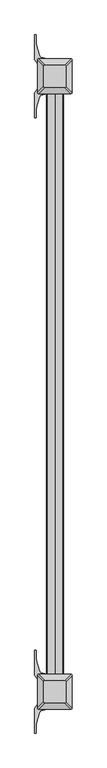
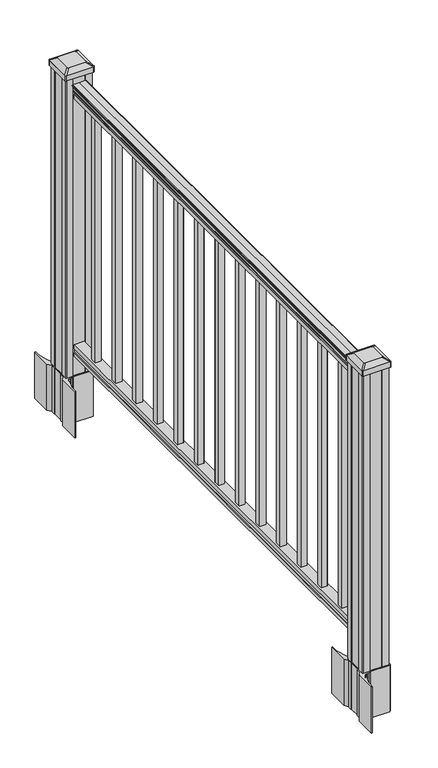
"""IFC4 building model written with IfcOpenShell, lengths in millimetres: railing geometry."""

import ifcopenshell
import ifcopenshell.guid

model = None  # the IFC model being written
_history = None  # IfcOwnerHistory: only IFC2X3 demands one
_inside = {}  # id of a spatial element -> (the spatial element, [elements in it])
_under = {}  # id of a project, library or spatial element -> (it, [spatial elements below it])
_declared = {}  # id of a project -> (the project, [libraries it declares])
_typed = {}  # id of a type object -> (the type object, [elements of that type])
_made_of = {}  # id of a material, layer set ... -> (it, [elements and type objects made of it])


def new_model(schema):
    """Start an empty IFC model of exactly this schema.

    Asked for "IFC4X3", IfcOpenShell would pick the latest addendum, in which some entities
    have other attributes; the version numbers below select the first issue.
    IFC2X3 requires an IfcOwnerHistory on every rooted entity: one is made here for all.
    """
    global model, _history
    if schema == "IFC4X3":
        model = ifcopenshell.file(schema_version=(4, 3, 0, 0))
    else:
        model = ifcopenshell.file(schema=schema)
    _inside.clear()
    _under.clear()
    _declared.clear()
    _typed.clear()
    _made_of.clear()
    _history = None
    if model.schema == "IFC2X3":
        org = make("IfcOrganization", Name="unknown")
        user = make(
            "IfcPersonAndOrganization",
            ThePerson=make("IfcPerson", FamilyName="unknown"),
            TheOrganization=org,
        )
        app = make(
            "IfcApplication",
            ApplicationDeveloper=org,
            Version="unknown",
            ApplicationFullName="unknown",
            ApplicationIdentifier="unknown",
        )
        _history = make(
            "IfcOwnerHistory",
            OwningUser=user,
            OwningApplication=app,
            ChangeAction="ADDED",
            CreationDate=0,
        )
    return model


def make(cls, **values):
    """One entity of the class cls with the attributes given. An attribute that is None is left unset."""
    return model.create_entity(
        cls, **{name: value for name, value in values.items() if value is not None}
    )


def rooted(cls, **values):
    """An entity with a GlobalId (a new one), such as an element, a storey or a relation."""
    return make(cls, GlobalId=ifcopenshell.guid.new(), OwnerHistory=_history, **values)


def si_unit(unit_type, name, prefix=None):
    """IfcSIUnit, for example si_unit("LENGTHUNIT", "METRE", prefix="MILLI")."""
    return make("IfcSIUnit", UnitType=unit_type, Prefix=prefix, Name=name)


def assignment(units):
    """IfcUnitAssignment: the units of a project."""
    return None if units is None else make("IfcUnitAssignment", Units=units)


def point(xyz):
    """IfcCartesianPoint."""
    return None if xyz is None else make("IfcCartesianPoint", Coordinates=xyz)


def direction(xyz):
    """IfcDirection."""
    return None if xyz is None else make("IfcDirection", DirectionRatios=xyz)


def frame(location, z_axis=None, x_axis=None):
    """IfcAxis2Placement3D, a coordinate frame: its origin and axes. An axis left out is left unset."""
    return make(
        "IfcAxis2Placement3D",
        Location=point(location),
        Axis=direction(z_axis),
        RefDirection=direction(x_axis),
    )


def frame_2d(location, x_axis=None):
    """IfcAxis2Placement2D, a coordinate frame in the plane: its origin and x axis."""
    return make(
        "IfcAxis2Placement2D", Location=point(location), RefDirection=direction(x_axis)
    )


def origin():
    """The frame at (0, 0, 0) with its axes left unset."""
    return frame((0.0, 0.0, 0.0))


def origin_with_axes():
    """The frame at (0, 0, 0) with the z axis (0, 0, 1) and the x axis (1, 0, 0) written out."""
    return frame((0.0, 0.0, 0.0), z_axis=(0.0, 0.0, 1.0), x_axis=(1.0, 0.0, 0.0))


def place(relative_to, where):
    """IfcLocalPlacement: puts the frame where relative to a parent placement (None: the world)."""
    return make(
        "IfcLocalPlacement", PlacementRelTo=relative_to, RelativePlacement=where
    )


def context(
    kind, dimensions, precision=None, world=None, true_north=None, identifier=None
):
    """IfcGeometricRepresentationContext, for example the 3D "Model" context."""
    return make(
        "IfcGeometricRepresentationContext",
        ContextIdentifier=identifier,
        ContextType=kind,
        CoordinateSpaceDimension=dimensions,
        Precision=precision,
        WorldCoordinateSystem=world,
        TrueNorth=true_north,
    )


def project(units=None, contexts=None):
    """IfcProject with its units and contexts."""
    return rooted(
        "IfcProject",
        Name="project",
        RepresentationContexts=contexts,
        UnitsInContext=assignment(units),
    )


def spatial(cls, under=None, at=None, **own):
    """A site, building, storey or space (cls), placed at a placement, below another one or the project."""
    s = rooted(cls, ObjectPlacement=at, **own)
    if under is not None:
        _under.setdefault(under.id(), (under, []))[1].append(s)
    return s


def polyline(points):
    """IfcPolyline through the points."""
    return make("IfcPolyline", Points=[point(p) for p in points])


def circle_curve(where, radius):
    """IfcCircle in the frame where."""
    return make("IfcCircle", Position=where, Radius=radius)


def trimmed(basis, trim1, trim2, sense, master):
    """IfcTrimmedCurve: the piece of a basis curve between two trims."""
    return make(
        "IfcTrimmedCurve",
        BasisCurve=basis,
        Trim1=trim1,
        Trim2=trim2,
        SenseAgreement=sense,
        MasterRepresentation=master,
    )


def segment(curve, same_sense, transition):
    """IfcCompositeCurveSegment."""
    return make(
        "IfcCompositeCurveSegment",
        Transition=transition,
        SameSense=same_sense,
        ParentCurve=curve,
    )


def composite_curve(segments, self_intersect=None):
    """IfcCompositeCurve: segments joined end to end."""
    return make("IfcCompositeCurve", Segments=segments, SelfIntersect=self_intersect)


def outline(outer, holes=None, kind="AREA"):
    """IfcArbitraryClosedProfileDef: a profile drawn as a closed curve; with holes, ...WithVoids."""
    if holes is None:
        return make("IfcArbitraryClosedProfileDef", ProfileType=kind, OuterCurve=outer)
    return make(
        "IfcArbitraryProfileDefWithVoids",
        ProfileType=kind,
        OuterCurve=outer,
        InnerCurves=holes,
    )


def extrude(swept, where, along, depth):
    """IfcExtrudedAreaSolid: the profile swept, set in the frame where, extruded along a direction by depth."""
    return make(
        "IfcExtrudedAreaSolid",
        SweptArea=swept,
        Position=where,
        ExtrudedDirection=direction(along),
        Depth=depth,
    )


def shape(context_of_items, identifier, shape_type, items):
    """IfcShapeRepresentation: the items that make up one representation, for example the "Body"."""
    return make(
        "IfcShapeRepresentation",
        ContextOfItems=context_of_items,
        RepresentationIdentifier=identifier,
        RepresentationType=shape_type,
        Items=items,
    )


def source(mapping_origin, context_of_items, identifier, shape_type, items):
    """IfcRepresentationMap: a shape defined once, which mapped items show again and again."""
    return make(
        "IfcRepresentationMap",
        MappingOrigin=mapping_origin,
        MappedRepresentation=shape(context_of_items, identifier, shape_type, items),
    )


def transform(
    local_origin,
    x_axis=None,
    y_axis=None,
    z_axis=None,
    scale=None,
    scale2=None,
    scale3=None,
    uniform=True,
):
    """IfcCartesianTransformationOperator3D, or its non-uniform kind. x_axis, y_axis, z_axis: its Axis1, 2, 3."""
    if uniform:
        return make(
            "IfcCartesianTransformationOperator3D",
            Axis1=direction(x_axis),
            Axis2=direction(y_axis),
            LocalOrigin=point(local_origin),
            Scale=scale,
            Axis3=direction(z_axis),
        )
    return make(
        "IfcCartesianTransformationOperator3DnonUniform",
        Axis1=direction(x_axis),
        Axis2=direction(y_axis),
        LocalOrigin=point(local_origin),
        Scale=scale,
        Axis3=direction(z_axis),
        Scale2=scale2,
        Scale3=scale3,
    )


def mapped(mapping_source, mapping_target):
    """IfcMappedItem: shows the shape of a source again, moved by a transform."""
    return make(
        "IfcMappedItem", MappingSource=mapping_source, MappingTarget=mapping_target
    )


def made_of(thing, what):
    """Note that an element or type object is made of a material, layer set ...; save() writes the relation."""
    if what is not None:
        _made_of.setdefault(what.id(), (what, []))[1].append(thing)
    return thing


def element(
    cls,
    number,
    at=None,
    inside=None,
    cuts=None,
    type_object=None,
    material=None,
    context=None,
    identifier="Body",
    shape_type=None,
    held_by="IfcProductDefinitionShape",
    body=None,
    shapes=None,
    **own,
):
    """One element of the class cls, such as IfcWall. Its Tag is "e" and its number.

    at: its placement. inside: the storey or other place that contains it. cuts: it is an
    opening in that element (IfcRelVoidsElement). A single representation is given by context,
    identifier, shape_type and body (its items); several are given by shapes. held_by: the class
    of the entity that holds the representations. save() writes the other relations.
    """
    e = rooted(cls, Tag="e%d" % number, ObjectPlacement=at, **own)
    if body is not None:
        shapes = [shape(context, identifier, shape_type, body)]
    if shapes is not None:
        e.Representation = make(held_by, Representations=shapes)
    if inside is not None:
        _inside.setdefault(inside.id(), (inside, []))[1].append(e)
    if cuts is not None:
        rooted(
            "IfcRelVoidsElement", RelatingBuildingElement=cuts, RelatedOpeningElement=e
        )
    if type_object is not None:
        _typed.setdefault(type_object.id(), (type_object, []))[1].append(e)
    return made_of(e, material)


def aggregate(whole, parts):
    """IfcRelAggregates: a whole, such as a stair, and the parts it consists of."""
    return rooted("IfcRelAggregates", RelatingObject=whole, RelatedObjects=parts)


def save(model, path):
    """Write the relations noted so far, then the file.

    IfcRelAggregates (storeys below a building ...), IfcRelContainedInSpatialStructure (elements
    in a storey), IfcRelDefinesByType, IfcRelAssociatesMaterial and IfcRelDeclares: one each for
    every whole, place, type object, material and project.
    """
    for whole, parts in _under.values():
        aggregate(whole, parts)
    for where, things in _inside.values():
        rooted(
            "IfcRelContainedInSpatialStructure",
            RelatedElements=things,
            RelatingStructure=where,
        )
    for kind, things in _typed.values():
        rooted("IfcRelDefinesByType", RelatedObjects=things, RelatingType=kind)
    for what, things in _made_of.values():
        rooted("IfcRelAssociatesMaterial", RelatedObjects=things, RelatingMaterial=what)
    for by, libraries in _declared.values():
        rooted("IfcRelDeclares", RelatingContext=by, RelatedDefinitions=libraries)
    model.write(path)


def plane_surface(at):
    """IfcPlane: the flat surface through the origin of the frame at, square to its z axis."""
    return make("IfcPlane", Position=at)


def extruded_surface(curve, direction_of_extrusion, depth):
    """IfcSurfaceOfLinearExtrusion: the curve pushed along a direction by depth."""
    return make(
        "IfcSurfaceOfLinearExtrusion",
        SweptCurve=make("IfcArbitraryOpenProfileDef", ProfileType="CURVE", Curve=curve),
        ExtrudedDirection=direction(direction_of_extrusion),
        Depth=depth,
    )


def advanced_brep(points, edges, surfaces, faces):
    """IfcAdvancedBrep: a solid bounded by faces that lie on surfaces and meet in shared edges.

    An edge is (start, end): straight between two places in points (the first is 0);
    or (start, end, curve); or (start, end, curve, False) where it runs against its curve.
    A face is (place in surfaces, loops), or (place, loops, False) where it looks against
    its surface's normal. A loop lists edges by number (the first is 1), with a minus sign
    where the edge is run from its end to its start. The first loop is the outer one.
    """
    corners = [point(p) for p in points]
    vertices = [make("IfcVertexPoint", VertexGeometry=c) for c in corners]
    made = []
    for start, end, *more in edges:
        made.append(
            make(
                "IfcEdgeCurve",
                EdgeStart=vertices[start],
                EdgeEnd=vertices[end],
                EdgeGeometry=more[0] if more else make("IfcPolyline", Points=[corners[start], corners[end]]),
                SameSense=more[1] if len(more) > 1 else True,
            )
        )
    hull = []
    for where, loops, *sense in faces:
        bounds = []
        for j, loop in enumerate(loops):
            ring = [make("IfcOrientedEdge", EdgeElement=made[abs(k) - 1], Orientation=k > 0) for k in loop]
            bounds.append(
                make(
                    "IfcFaceOuterBound" if j == 0 else "IfcFaceBound",
                    Bound=make("IfcEdgeLoop", EdgeList=ring),
                    Orientation=True,
                )
            )
        hull.append(make("IfcAdvancedFace", Bounds=bounds, FaceSurface=surfaces[where], SameSense=sense[0] if sense else True))
    return make("IfcAdvancedBrep", Outer=make("IfcClosedShell", CfsFaces=hull))


def railing_95ccc365(model_context):
    return source(origin(), model_context, "Body", "SolidModel", [
        extrude(outline(composite_curve([segment(polyline([(938.4043297, -802.3883059), (940.292412, -802.3883059)]), True, "CONTINUOUS"), segment(trimmed(circle_curve(frame_2d((946.0506383, -808.7030592)), 8.545951), [point((940.292412, -802.3883059))], [point((941.8546695, -801.2581196))], False, "CARTESIAN"), True, "CONTINUOUS"), segment(trimmed(circle_curve(frame_2d((945.4636577, -808.2659962)), 7.882584), [point((941.8546695, -801.2581196))], [point((949.0726458, -801.2581196))], False, "CARTESIAN"), True, "CONTINUOUS"), segment(trimmed(circle_curve(frame_2d((951.3112527, -797.7526721)), 4.1592695), [point((949.0726458, -801.2581196))], [point((951.5060812, -801.907376))], True, "CARTESIAN"), True, "CONTINUOUS"), segment(trimmed(circle_curve(frame_2d((951.2508864, -796.4653655)), 5.4479907), [point((951.5060812, -801.907376))], [point((955.8362083, -799.407376))], True, "CARTESIAN"), True, "CONTINUOUS"), segment(trimmed(circle_curve(frame_2d((955.833395, -797.698524)), 1.7088543), [point((955.8362083, -799.407376))], [point((957.5157972, -797.9980336))], True, "CARTESIAN"), True, "CONTINUOUS"), segment(trimmed(circle_curve(frame_2d((958.6205318, -799.3154241)), 1.7192895), [point((957.5157972, -797.9980336))], [point((958.6205318, -797.5961346))], False, "CARTESIAN"), True, "CONTINUOUS"), segment(polyline([(958.6205318, -797.5961346), (959.9608158, -797.5961346)]), True, "CONTINUOUS"), segment(trimmed(circle_curve(frame_2d((959.9608158, -799.1495819)), 1.5534472), [point((959.9608158, -797.5961346))], [point((961.514263, -799.1495819))], False, "CARTESIAN"), True, "CONTINUOUS"), segment(polyline([(961.514263, -799.1495819), (961.514263, -819.8211346), (961.514263, -840.4926874)]), True, "CONTINUOUS"), segment(trimmed(circle_curve(frame_2d((959.9608158, -840.4926874)), 1.5534472), [point((961.514263, -840.4926874))], [point((959.9608158, -842.0461346))], False, "CARTESIAN"), True, "CONTINUOUS"), segment(polyline([(959.9608158, -842.0461346), (958.6205318, -842.0461346)]), True, "CONTINUOUS"), segment(trimmed(circle_curve(frame_2d((958.6205318, -840.3268452)), 1.7192895), [point((958.6205318, -842.0461346))], [point((957.5157972, -841.6442357))], False, "CARTESIAN"), True, "CONTINUOUS"), segment(trimmed(circle_curve(frame_2d((955.833395, -841.9437453)), 1.7088543), [point((957.5157972, -841.6442357))], [point((955.8362083, -840.2348933))], True, "CARTESIAN"), True, "CONTINUOUS"), segment(trimmed(circle_curve(frame_2d((951.2508864, -843.1769037)), 5.4479907), [point((955.8362083, -840.2348933))], [point((951.5060812, -837.7348933))], True, "CARTESIAN"), True, "CONTINUOUS"), segment(trimmed(circle_curve(frame_2d((951.3112527, -841.8895972)), 4.1592695), [point((951.5060812, -837.7348933))], [point((949.0726458, -838.3841497))], True, "CARTESIAN"), True, "CONTINUOUS"), segment(trimmed(circle_curve(frame_2d((945.4636577, -831.3762731)), 7.882584), [point((949.0726458, -838.3841497))], [point((941.8546695, -838.3841497))], False, "CARTESIAN"), True, "CONTINUOUS"), segment(trimmed(circle_curve(frame_2d((946.0506383, -830.9392101)), 8.545951), [point((941.8546695, -838.3841497))], [point((940.292412, -837.2539634))], False, "CARTESIAN"), True, "CONTINUOUS"), segment(polyline([(940.292412, -837.2539634), (938.4043297, -837.2539634)]), True, "CONTINUOUS"), segment(trimmed(circle_curve(frame_2d((938.4043297, -835.967049)), 1.2869144), [point((938.4043297, -837.2539634))], [point((938.4043297, -834.6801346))], False, "CARTESIAN"), True, "CONTINUOUS"), segment(polyline([(938.4043297, -834.6801346), (927.9048283, -834.6801346), (926.8888283, -835.6961346), (914.4, -835.6961346), (914.4, -803.9461346), (926.731013, -803.9461346), (927.747013, -804.9621346), (938.4043297, -804.9621346)]), True, "CONTINUOUS"), segment(trimmed(circle_curve(frame_2d((938.4043297, -803.6752203)), 1.2869144), [point((938.4043297, -804.9621346))], [point((938.4043297, -802.3883059))], False, "CARTESIAN"), True, "CONTINUOUS")], self_intersect=False)), frame((0.0, -6314.4427062, 0.0), z_axis=(0.0, 1.0, 0.0), x_axis=(0.0, 0.0, 1.0)), (0.0, 0.0, 1.0), 1524.0),
        extrude(outline(polyline([(76.0541976, -803.9086477), (77.3546183, -804.9246477), (87.7141717, -804.9246477), (89.0624492, -803.9086477), (101.5958781, -803.9086477), (101.5958781, -835.6586477), (89.0458024, -835.6586477), (87.6975248, -834.6426477), (77.3858283, -834.6426477), (76.0375508, -835.6586477), (63.5, -835.6586477), (63.5, -803.9086477), (76.0541976, -803.9086477)])), frame((0.0, -6314.4427062, 0.0), z_axis=(0.0, 1.0, 0.0), x_axis=(0.0, 0.0, 1.0)), (0.0, 0.0, 1.0), 1524.0),
        extrude(outline(polyline([(-810.2961346, -4893.4397062), (-829.3461346, -4893.4397062), (-829.3461346, -4874.3897062), (-810.2961346, -4874.3897062), (-810.2961346, -4893.4397062)]), holes=[polyline([(-810.6930096, -4893.0428312), (-810.6930096, -4874.7865812), (-828.9492596, -4874.7865812), (-828.9492596, -4893.0428312), (-810.6930096, -4893.0428312)])]), frame((0.0, 0.0, 101.5958781), z_axis=(0.0, 0.0, 1.0), x_axis=(1.0, 0.0, 0.0)), (0.0, 0.0, 1.0), 812.8041219),
        extrude(outline(polyline([(-810.2961346, -5004.6917062), (-829.3461346, -5004.6917062), (-829.3461346, -4985.6417062), (-810.2961346, -4985.6417062), (-810.2961346, -5004.6917062)]), holes=[polyline([(-810.6930096, -5004.2948312), (-810.6930096, -4986.0385812), (-828.9492596, -4986.0385812), (-828.9492596, -5004.2948312), (-810.6930096, -5004.2948312)])]), frame((0.0, 0.0, 101.5958781), z_axis=(0.0, 0.0, 1.0), x_axis=(1.0, 0.0, 0.0)), (0.0, 0.0, 1.0), 812.8041219),
        extrude(outline(polyline([(-810.2961346, -5115.9437062), (-829.3461346, -5115.9437062), (-829.3461346, -5096.8937062), (-810.2961346, -5096.8937062), (-810.2961346, -5115.9437062)]), holes=[polyline([(-810.6930096, -5115.5468312), (-810.6930096, -5097.2905812), (-828.9492596, -5097.2905812), (-828.9492596, -5115.5468312), (-810.6930096, -5115.5468312)])]), frame((0.0, 0.0, 101.5958781), z_axis=(0.0, 0.0, 1.0), x_axis=(1.0, 0.0, 0.0)), (0.0, 0.0, 1.0), 812.8041219),
        extrude(outline(polyline([(-810.2961346, -5227.1957062), (-829.3461346, -5227.1957062), (-829.3461346, -5208.1457062), (-810.2961346, -5208.1457062), (-810.2961346, -5227.1957062)]), holes=[polyline([(-810.6930096, -5226.7988312), (-810.6930096, -5208.5425812), (-828.9492596, -5208.5425812), (-828.9492596, -5226.7988312), (-810.6930096, -5226.7988312)])]), frame((0.0, 0.0, 101.5958781), z_axis=(0.0, 0.0, 1.0), x_axis=(1.0, 0.0, 0.0)), (0.0, 0.0, 1.0), 812.8041219),
        extrude(outline(polyline([(-810.2961346, -5338.4477062), (-829.3461346, -5338.4477062), (-829.3461346, -5319.3977062), (-810.2961346, -5319.3977062), (-810.2961346, -5338.4477062)]), holes=[polyline([(-810.6930096, -5338.0508312), (-810.6930096, -5319.7945812), (-828.9492596, -5319.7945812), (-828.9492596, -5338.0508312), (-810.6930096, -5338.0508312)])]), frame((0.0, 0.0, 101.5958781), z_axis=(0.0, 0.0, 1.0), x_axis=(1.0, 0.0, 0.0)), (0.0, 0.0, 1.0), 812.8041219),
        extrude(outline(polyline([(-810.2961346, -5449.6997062), (-829.3461346, -5449.6997062), (-829.3461346, -5430.6497062), (-810.2961346, -5430.6497062), (-810.2961346, -5449.6997062)]), holes=[polyline([(-810.6930096, -5449.3028312), (-810.6930096, -5431.0465812), (-828.9492596, -5431.0465812), (-828.9492596, -5449.3028312), (-810.6930096, -5449.3028312)])]), frame((0.0, 0.0, 101.5958781), z_axis=(0.0, 0.0, 1.0), x_axis=(1.0, 0.0, 0.0)), (0.0, 0.0, 1.0), 812.8041219),
        extrude(outline(polyline([(-810.2961346, -5560.9517062), (-829.3461346, -5560.9517062), (-829.3461346, -5541.9017062), (-810.2961346, -5541.9017062), (-810.2961346, -5560.9517062)]), holes=[polyline([(-810.6930096, -5560.5548312), (-810.6930096, -5542.2985812), (-828.9492596, -5542.2985812), (-828.9492596, -5560.5548312), (-810.6930096, -5560.5548312)])]), frame((0.0, 0.0, 101.5958781), z_axis=(0.0, 0.0, 1.0), x_axis=(1.0, 0.0, 0.0)), (0.0, 0.0, 1.0), 812.8041219),
        extrude(outline(polyline([(-810.2961346, -5672.2037062), (-829.3461346, -5672.2037062), (-829.3461346, -5653.1537062), (-810.2961346, -5653.1537062), (-810.2961346, -5672.2037062)]), holes=[polyline([(-810.6930096, -5671.8068312), (-810.6930096, -5653.5505812), (-828.9492596, -5653.5505812), (-828.9492596, -5671.8068312), (-810.6930096, -5671.8068312)])]), frame((0.0, 0.0, 101.5958781), z_axis=(0.0, 0.0, 1.0), x_axis=(1.0, 0.0, 0.0)), (0.0, 0.0, 1.0), 812.8041219),
        extrude(outline(polyline([(-810.2961346, -5783.4557062), (-829.3461346, -5783.4557062), (-829.3461346, -5764.4057062), (-810.2961346, -5764.4057062), (-810.2961346, -5783.4557062)]), holes=[polyline([(-810.6930096, -5783.0588312), (-810.6930096, -5764.8025812), (-828.9492596, -5764.8025812), (-828.9492596, -5783.0588312), (-810.6930096, -5783.0588312)])]), frame((0.0, 0.0, 101.5958781), z_axis=(0.0, 0.0, 1.0), x_axis=(1.0, 0.0, 0.0)), (0.0, 0.0, 1.0), 812.8041219),
        extrude(outline(polyline([(-810.2961346, -5894.7077062), (-829.3461346, -5894.7077062), (-829.3461346, -5875.6577062), (-810.2961346, -5875.6577062), (-810.2961346, -5894.7077062)]), holes=[polyline([(-810.6930096, -5894.3108312), (-810.6930096, -5876.0545812), (-828.9492596, -5876.0545812), (-828.9492596, -5894.3108312), (-810.6930096, -5894.3108312)])]), frame((0.0, 0.0, 101.5958781), z_axis=(0.0, 0.0, 1.0), x_axis=(1.0, 0.0, 0.0)), (0.0, 0.0, 1.0), 812.8041219),
        extrude(outline(polyline([(-810.2961346, -6005.9597062), (-829.3461346, -6005.9597062), (-829.3461346, -5986.9097062), (-810.2961346, -5986.9097062), (-810.2961346, -6005.9597062)]), holes=[polyline([(-810.6930096, -6005.5628312), (-810.6930096, -5987.3065812), (-828.9492596, -5987.3065812), (-828.9492596, -6005.5628312), (-810.6930096, -6005.5628312)])]), frame((0.0, 0.0, 101.5958781), z_axis=(0.0, 0.0, 1.0), x_axis=(1.0, 0.0, 0.0)), (0.0, 0.0, 1.0), 812.8041219),
        extrude(outline(polyline([(-810.2961346, -6117.2117062), (-829.3461346, -6117.2117062), (-829.3461346, -6098.1617062), (-810.2961346, -6098.1617062), (-810.2961346, -6117.2117062)]), holes=[polyline([(-810.6930096, -6116.8148312), (-810.6930096, -6098.5585812), (-828.9492596, -6098.5585812), (-828.9492596, -6116.8148312), (-810.6930096, -6116.8148312)])]), frame((0.0, 0.0, 101.5958781), z_axis=(0.0, 0.0, 1.0), x_axis=(1.0, 0.0, 0.0)), (0.0, 0.0, 1.0), 812.8041219),
        extrude(outline(polyline([(-810.2961346, -6228.4637062), (-829.3461346, -6228.4637062), (-829.3461346, -6209.4137062), (-810.2961346, -6209.4137062), (-810.2961346, -6228.4637062)]), holes=[polyline([(-810.6930096, -6228.0668312), (-810.6930096, -6209.8105812), (-828.9492596, -6209.8105812), (-828.9492596, -6228.0668312), (-810.6930096, -6228.0668312)])]), frame((0.0, 0.0, 101.5958781), z_axis=(0.0, 0.0, 1.0), x_axis=(1.0, 0.0, 0.0)), (0.0, 0.0, 1.0), 812.8041219),
        extrude(outline(composite_curve([segment(polyline([(-777.0856346, -4766.426801), (-775.4981346, -4767.188801), (-775.4981346, -4789.9907291), (-778.8711117, -4793.3637062), (-840.3307825, -4793.3637062), (-840.3307825, -4794.2844562), (-845.6483264, -4794.2844562), (-845.6483264, -4795.7387108), (-850.7328561, -4795.7387108), (-850.7328561, -4797.0227347), (-852.4001283, -4797.0227347)]), True, "CONTINUOUS"), segment(trimmed(circle_curve(frame_2d((-852.4001283, -4804.0821945)), 7.0594599), [point((-852.4001283, -4797.0227347))], [point((-859.1673912, -4802.0721879))], True, "CARTESIAN"), True, "CONTINUOUS"), segment(polyline([(-859.1673912, -4802.0721879), (-867.0415855, -4828.5829169)]), True, "CONTINUOUS"), segment(trimmed(circle_curve(frame_2d((-812.2570721, -4844.8549666)), 57.15), [point((-867.0415855, -4828.5829169))], [point((-869.4070721, -4844.8549666))], True, "CARTESIAN"), True, "CONTINUOUS"), segment(polyline([(-869.4070721, -4844.8549666), (-869.4070721, -4856.8637062), (-872.4070721, -4856.8637062), (-872.4070721, -4791.7762062), (-864.1441346, -4780.4379148), (-864.1441346, -4767.188801), (-862.5566346, -4766.426801), (-862.5566346, -4731.6546113), (-864.1441346, -4730.8926113), (-864.1441346, -4717.6434975), (-872.4070721, -4706.3052062), (-872.4070721, -4641.2177062), (-869.4070721, -4641.2177062), (-869.4070721, -4653.2264457)]), True, "CONTINUOUS"), segment(trimmed(circle_curve(frame_2d((-812.2570721, -4653.2264457)), 57.15), [point((-869.4070721, -4653.2264457))], [point((-867.0415855, -4669.4984954))], True, "CARTESIAN"), True, "CONTINUOUS"), segment(polyline([(-867.0415855, -4669.4984954), (-859.1673912, -4696.0092245)]), True, "CONTINUOUS"), segment(trimmed(circle_curve(frame_2d((-852.4001283, -4693.9992178)), 7.0594599), [point((-859.1673912, -4696.0092245))], [point((-852.4001283, -4701.0586776))], True, "CARTESIAN"), True, "CONTINUOUS"), segment(polyline([(-852.4001283, -4701.0586776), (-850.7328561, -4701.0586776), (-850.7328561, -4702.3427015), (-845.6483264, -4702.3427015), (-845.6483264, -4703.7969562), (-840.3307825, -4703.7969562), (-840.3307825, -4704.7177062), (-778.8711117, -4704.7177062), (-775.4981346, -4708.0906832), (-775.4981346, -4730.8926113), (-777.0856346, -4731.6546113), (-777.0856346, -4766.426801)]), True, "CONTINUOUS")], self_intersect=False), holes=[polyline([(-861.0961346, -4709.3532062), (-861.0961346, -4788.7282062), (-859.5086346, -4790.3157062), (-822.584352, -4790.3157062), (-780.1336346, -4790.3157062), (-778.5461346, -4788.7282062), (-778.5461346, -4709.3532062), (-780.1336346, -4707.7657062), (-822.584352, -4707.7657062), (-859.5086346, -4707.7657062), (-861.0961346, -4709.3532062)])]), frame((0.0, 0.0, -152.4), z_axis=(0.0, 0.0, 1.0), x_axis=(1.0, 0.0, 0.0)), (0.0, 0.0, 1.0), 152.4),
        advanced_brep(
        [(-845.6180096, -4778.0125812, 1012.825), (-794.0242596, -4778.0125812, 1012.825), (-790.8492596, -4774.8375812, 1012.825), (-790.8492596, -4723.2438312, 1012.825), (-794.0242596, -4720.0688312, 1012.825), (-845.6180096, -4720.0688312, 1012.825), (-848.7930096, -4723.2438312, 1012.825), (-848.7930096, -4774.8375812, 1012.825), (-861.8898846, -4794.2844562, 1001.522), (-865.0648846, -4791.1094562, 1001.522), (-865.0648846, -4706.9719562, 1001.522), (-861.8898846, -4703.7969562, 1001.522), (-777.7523846, -4703.7969562, 1001.522), (-774.5773846, -4706.9719562, 1001.522), (-774.5773846, -4791.1094562, 1001.522), (-777.7523846, -4794.2844562, 1001.522)],
        [
            (0, 1),
            (1, 2, circle_curve(frame((-794.0242596, -4774.8375812, 1012.825), z_axis=(0.0, 0.0, 1.0), x_axis=(0.0, 1.0, 0.0)), 3.175)),
            (2, 3),
            (3, 4, circle_curve(frame((-794.0242596, -4723.2438312, 1012.825), z_axis=(0.0, 0.0, 1.0), x_axis=(0.0, 1.0, 0.0)), 3.175)),
            (4, 5),
            (5, 6, circle_curve(frame((-845.6180096, -4723.2438312, 1012.825), z_axis=(0.0, 0.0, 1.0), x_axis=(0.0, 1.0, 0.0)), 3.175)),
            (6, 7),
            (7, 0, circle_curve(frame((-845.6180096, -4774.8375812, 1012.825), z_axis=(0.0, 0.0, 1.0), x_axis=(0.0, 1.0, 0.0)), 3.175)),
            (8, 9, circle_curve(frame((-861.8898846, -4791.1094562, 1001.522), z_axis=(0.0, 0.0, -1.0), x_axis=(0.0, 1.0, 0.0)), 3.175)),
            (9, 10),
            (10, 11, circle_curve(frame((-861.8898846, -4706.9719562, 1001.522), z_axis=(0.0, 0.0, -1.0), x_axis=(0.0, 1.0, 0.0)), 3.175)),
            (11, 12),
            (12, 13, circle_curve(frame((-777.7523846, -4706.9719562, 1001.522), z_axis=(0.0, 0.0, -1.0), x_axis=(0.0, 1.0, 0.0)), 3.175)),
            (13, 14),
            (14, 15, circle_curve(frame((-777.7523846, -4791.1094562, 1001.522), z_axis=(0.0, 0.0, -1.0), x_axis=(0.0, 1.0, 0.0)), 3.175)),
            (15, 8),
            (8, 0),
            (7, 9),
            (6, 10),
            (5, 11),
            (4, 12),
            (3, 13),
            (2, 14),
            (1, 15),
        ],
        [
            plane_surface(frame((-819.8211346, -4749.0407062, 1012.825), z_axis=(0.0, 0.0, 1.0), x_axis=(-1.0, 0.0, 0.0))),
            plane_surface(frame((-819.8211346, -4749.0407062, 1001.522), z_axis=(0.0, 0.0, -1.0), x_axis=(-1.0, 0.0, 0.0))),
            extruded_surface(trimmed(circle_curve(frame((-845.6180096, -4774.8375812, 1012.825), z_axis=(0.0, 0.0, -1.0), x_axis=(0.0, 1.0, 0.0)), 3.175), [point((-845.6180096, -4778.0125812, 1012.825))], [point((-848.7930096, -4774.8375812, 1012.825))], True, "CARTESIAN"), (-16.27187499999991, -16.271874999999454, -11.302999999999997), 25.637972638865758),
            plane_surface(frame((-865.0648846, -4749.0407062, 1001.522), z_axis=(-0.5705009161540779, 0.0, 0.8212969649690408), x_axis=(0.0, 1.0, 0.0))),
            extruded_surface(trimmed(circle_curve(frame((-845.6180096, -4723.2438312, 1012.825), z_axis=(0.0, 0.0, -1.0), x_axis=(0.0, 1.0, 0.0)), 3.175), [point((-848.7930096, -4723.2438312, 1012.825))], [point((-845.6180096, -4720.0688312, 1012.825))], True, "CARTESIAN"), (-16.27187499999991, 16.271875000000364, -11.302999999999997), 25.637972638866334),
            plane_surface(frame((-819.8211346, -4703.7969562, 1001.522), z_axis=(0.0, 0.5705009161540291, 0.8212969649690747), x_axis=(1.0, 0.0, 0.0))),
            extruded_surface(trimmed(circle_curve(frame((-794.0242596, -4723.2438312, 1012.825), z_axis=(0.0, 0.0, -1.0), x_axis=(0.0, 1.0, 0.0)), 3.175), [point((-794.0242596, -4720.0688312, 1012.825))], [point((-790.8492596, -4723.2438312, 1012.825))], True, "CARTESIAN"), (16.271875000000023, 16.271875000000364, -11.302999999999997), 25.637972638866405),
            plane_surface(frame((-774.5773846, -4749.0407062, 1001.522), z_axis=(0.5705009161540141, 0.0, 0.8212969649690851), x_axis=(0.0, -1.0, 0.0))),
            extruded_surface(trimmed(circle_curve(frame((-794.0242596, -4774.8375812, 1012.825), z_axis=(0.0, 0.0, -1.0), x_axis=(0.0, 1.0, 0.0)), 3.175), [point((-790.8492596, -4774.8375812, 1012.825))], [point((-794.0242596, -4778.0125812, 1012.825))], True, "CARTESIAN"), (16.271875000000023, -16.271874999999454, -11.302999999999997), 25.63797263886583),
            plane_surface(frame((-819.8211346, -4794.2844562, 1001.522), z_axis=(0.0, -0.570500916154034, 0.8212969649690713), x_axis=(-1.0, 0.0, 0.0))),
        ],
        [
            (0, [[1, 2, 3, 4, 5, 6, 7, 8]]),
            (1, [[9, 10, 11, 12, 13, 14, 15, 16]]),
            (2, [[17, -8, 18, -9]]),
            (3, [[-18, -7, 19, -10]]),
            (4, [[-19, -6, 20, -11]]),
            (5, [[-20, -5, 21, -12]]),
            (6, [[-21, -4, 22, -13]]),
            (7, [[-22, -3, 23, -14]]),
            (8, [[-23, -2, 24, -15]]),
            (9, [[-24, -1, -17, -16]]),
        ],
    ),
        extrude(outline(composite_curve([segment(trimmed(circle_curve(frame_2d((-861.8898846, -4791.1094562)), 3.175), [point((-861.8898846, -4794.2844562))], [point((-865.0648846, -4791.1094562))], False, "CARTESIAN"), True, "CONTINUOUS"), segment(polyline([(-865.0648846, -4791.1094562), (-865.0648846, -4706.9719562)]), True, "CONTINUOUS"), segment(trimmed(circle_curve(frame_2d((-861.8898846, -4706.9719562)), 3.175), [point((-865.0648846, -4706.9719562))], [point((-861.8898846, -4703.7969562))], False, "CARTESIAN"), True, "CONTINUOUS"), segment(polyline([(-861.8898846, -4703.7969562), (-777.7523846, -4703.7969562)]), True, "CONTINUOUS"), segment(trimmed(circle_curve(frame_2d((-777.7523846, -4706.9719562)), 3.175), [point((-777.7523846, -4703.7969562))], [point((-774.5773846, -4706.9719562))], False, "CARTESIAN"), True, "CONTINUOUS"), segment(polyline([(-774.5773846, -4706.9719562), (-774.5773846, -4791.1094562)]), True, "CONTINUOUS"), segment(trimmed(circle_curve(frame_2d((-777.7523846, -4791.1094562)), 3.175), [point((-774.5773846, -4791.1094562))], [point((-777.7523846, -4794.2844562))], False, "CARTESIAN"), True, "CONTINUOUS"), segment(polyline([(-777.7523846, -4794.2844562), (-861.8898846, -4794.2844562)]), True, "CONTINUOUS")], self_intersect=False)), frame((0.0, 0.0, 984.25), z_axis=(0.0, 0.0, 1.0), x_axis=(1.0, 0.0, 0.0)), (0.0, 0.0, 1.0), 17.272),
        extrude(outline(polyline([(-859.5086346, -4790.3157062), (-861.0961346, -4788.7282062), (-861.0961346, -4769.1067062), (-859.5086346, -4768.3447062), (-859.5086346, -4729.7367062), (-861.0961346, -4728.9747062), (-861.0961346, -4709.3532062), (-859.5086346, -4707.7657062), (-839.8871346, -4707.7657062), (-839.1251346, -4709.3532062), (-800.5171346, -4709.3532062), (-799.7551346, -4707.7657062), (-780.1336346, -4707.7657062), (-778.5461346, -4709.3532062), (-778.5461346, -4728.9747062), (-780.1336346, -4729.7367062), (-780.1336346, -4768.3447062), (-778.5461346, -4769.1067062), (-778.5461346, -4788.7282062), (-780.1336346, -4790.3157062), (-799.7551346, -4790.3157062), (-800.5171346, -4788.7282062), (-839.1251346, -4788.7282062), (-839.8871346, -4790.3157062), (-859.5086346, -4790.3157062)])), origin_with_axes(), (0.0, 0.0, 1.0), 984.25),
        extrude(outline(composite_curve([segment(polyline([(-777.0856346, -6373.230801), (-775.4981346, -6373.992801), (-775.4981346, -6396.7947291), (-778.8711117, -6400.1677062), (-840.3307825, -6400.1677062), (-840.3307825, -6401.0884562), (-845.6483264, -6401.0884562), (-845.6483264, -6402.5427108), (-850.7328561, -6402.5427108), (-850.7328561, -6403.8267347), (-852.4001283, -6403.8267347)]), True, "CONTINUOUS"), segment(trimmed(circle_curve(frame_2d((-852.4001283, -6410.8861945)), 7.0594599), [point((-852.4001283, -6403.8267347))], [point((-859.1673912, -6408.8761879))], True, "CARTESIAN"), True, "CONTINUOUS"), segment(polyline([(-859.1673912, -6408.8761879), (-867.0415855, -6435.3869169)]), True, "CONTINUOUS"), segment(trimmed(circle_curve(frame_2d((-812.2570721, -6451.6589666)), 57.15), [point((-867.0415855, -6435.3869169))], [point((-869.4070721, -6451.6589666))], True, "CARTESIAN"), True, "CONTINUOUS"), segment(polyline([(-869.4070721, -6451.6589666), (-869.4070721, -6463.6677062), (-872.4070721, -6463.6677062), (-872.4070721, -6398.5802062), (-864.1441346, -6387.2419148), (-864.1441346, -6373.992801), (-862.5566346, -6373.230801), (-862.5566346, -6338.4586113), (-864.1441346, -6337.6966113), (-864.1441346, -6324.4474975), (-872.4070721, -6313.1092062), (-872.4070721, -6248.0217062), (-869.4070721, -6248.0217062), (-869.4070721, -6260.0304457)]), True, "CONTINUOUS"), segment(trimmed(circle_curve(frame_2d((-812.2570721, -6260.0304457)), 57.15), [point((-869.4070721, -6260.0304457))], [point((-867.0415855, -6276.3024954))], True, "CARTESIAN"), True, "CONTINUOUS"), segment(polyline([(-867.0415855, -6276.3024954), (-859.1673912, -6302.8132245)]), True, "CONTINUOUS"), segment(trimmed(circle_curve(frame_2d((-852.4001283, -6300.8032178)), 7.0594599), [point((-859.1673912, -6302.8132245))], [point((-852.4001283, -6307.8626776))], True, "CARTESIAN"), True, "CONTINUOUS"), segment(polyline([(-852.4001283, -6307.8626776), (-850.7328561, -6307.8626776), (-850.7328561, -6309.1467015), (-845.6483264, -6309.1467015), (-845.6483264, -6310.6009562), (-840.3307825, -6310.6009562), (-840.3307825, -6311.5217062), (-778.8711117, -6311.5217062), (-775.4981346, -6314.8946832), (-775.4981346, -6337.6966113), (-777.0856346, -6338.4586113), (-777.0856346, -6373.230801)]), True, "CONTINUOUS")], self_intersect=False), holes=[polyline([(-861.0961346, -6316.1572062), (-861.0961346, -6395.5322062), (-859.5086346, -6397.1197062), (-822.584352, -6397.1197062), (-780.1336346, -6397.1197062), (-778.5461346, -6395.5322062), (-778.5461346, -6316.1572062), (-780.1336346, -6314.5697062), (-822.584352, -6314.5697062), (-859.5086346, -6314.5697062), (-861.0961346, -6316.1572062)])]), frame((0.0, 0.0, -152.4), z_axis=(0.0, 0.0, 1.0), x_axis=(1.0, 0.0, 0.0)), (0.0, 0.0, 1.0), 152.4),
        advanced_brep(
        [(-845.6180096, -6384.8165812, 1012.825), (-794.0242596, -6384.8165812, 1012.825), (-790.8492596, -6381.6415812, 1012.825), (-790.8492596, -6330.0478312, 1012.825), (-794.0242596, -6326.8728312, 1012.825), (-845.6180096, -6326.8728312, 1012.825), (-848.7930096, -6330.0478312, 1012.825), (-848.7930096, -6381.6415812, 1012.825), (-861.8898846, -6401.0884562, 1001.522), (-865.0648846, -6397.9134562, 1001.522), (-865.0648846, -6313.7759562, 1001.522), (-861.8898846, -6310.6009562, 1001.522), (-777.7523846, -6310.6009562, 1001.522), (-774.5773846, -6313.7759562, 1001.522), (-774.5773846, -6397.9134562, 1001.522), (-777.7523846, -6401.0884562, 1001.522)],
        [
            (0, 1),
            (1, 2, circle_curve(frame((-794.0242596, -6381.6415812, 1012.825), z_axis=(0.0, 0.0, 1.0), x_axis=(0.0, 1.0, 0.0)), 3.175)),
            (2, 3),
            (3, 4, circle_curve(frame((-794.0242596, -6330.0478312, 1012.825), z_axis=(0.0, 0.0, 1.0), x_axis=(0.0, 1.0, 0.0)), 3.175)),
            (4, 5),
            (5, 6, circle_curve(frame((-845.6180096, -6330.0478312, 1012.825), z_axis=(0.0, 0.0, 1.0), x_axis=(0.0, 1.0, 0.0)), 3.175)),
            (6, 7),
            (7, 0, circle_curve(frame((-845.6180096, -6381.6415812, 1012.825), z_axis=(0.0, 0.0, 1.0), x_axis=(0.0, 1.0, 0.0)), 3.175)),
            (8, 9, circle_curve(frame((-861.8898846, -6397.9134562, 1001.522), z_axis=(0.0, 0.0, -1.0), x_axis=(0.0, 1.0, 0.0)), 3.175)),
            (9, 10),
            (10, 11, circle_curve(frame((-861.8898846, -6313.7759562, 1001.522), z_axis=(0.0, 0.0, -1.0), x_axis=(0.0, 1.0, 0.0)), 3.175)),
            (11, 12),
            (12, 13, circle_curve(frame((-777.7523846, -6313.7759562, 1001.522), z_axis=(0.0, 0.0, -1.0), x_axis=(0.0, 1.0, 0.0)), 3.175)),
            (13, 14),
            (14, 15, circle_curve(frame((-777.7523846, -6397.9134562, 1001.522), z_axis=(0.0, 0.0, -1.0), x_axis=(0.0, 1.0, 0.0)), 3.175)),
            (15, 8),
            (8, 0),
            (7, 9),
            (6, 10),
            (5, 11),
            (4, 12),
            (3, 13),
            (2, 14),
            (1, 15),
        ],
        [
            plane_surface(frame((-819.8211346, -6355.8447062, 1012.825), z_axis=(0.0, 0.0, 1.0), x_axis=(-1.0, 0.0, 0.0))),
            plane_surface(frame((-819.8211346, -6355.8447062, 1001.522), z_axis=(0.0, 0.0, -1.0), x_axis=(-1.0, 0.0, 0.0))),
            extruded_surface(trimmed(circle_curve(frame((-845.6180096, -6381.6415812, 1012.825), z_axis=(0.0, 0.0, -1.0), x_axis=(0.0, 1.0, 0.0)), 3.175), [point((-845.6180096, -6384.8165812, 1012.825))], [point((-848.7930096, -6381.6415812, 1012.825))], True, "CARTESIAN"), (-16.27187499999991, -16.271875000000364, -11.302999999999997), 25.637972638866334),
            plane_surface(frame((-865.0648846, -6355.8447062, 1001.522), z_axis=(-0.5705009161540779, 0.0, 0.8212969649690408), x_axis=(0.0, 1.0, 0.0))),
            extruded_surface(trimmed(circle_curve(frame((-845.6180096, -6330.0478312, 1012.825), z_axis=(0.0, 0.0, -1.0), x_axis=(0.0, 1.0, 0.0)), 3.175), [point((-848.7930096, -6330.0478312, 1012.825))], [point((-845.6180096, -6326.8728312, 1012.825))], True, "CARTESIAN"), (-16.27187499999991, 16.271874999999454, -11.302999999999997), 25.637972638865758),
            plane_surface(frame((-819.8211346, -6310.6009562, 1001.522), z_axis=(0.0, 0.5705009161540291, 0.8212969649690747), x_axis=(1.0, 0.0, 0.0))),
            extruded_surface(trimmed(circle_curve(frame((-794.0242596, -6330.0478312, 1012.825), z_axis=(0.0, 0.0, -1.0), x_axis=(0.0, 1.0, 0.0)), 3.175), [point((-794.0242596, -6326.8728312, 1012.825))], [point((-790.8492596, -6330.0478312, 1012.825))], True, "CARTESIAN"), (16.271875000000023, 16.271874999999454, -11.302999999999997), 25.63797263886583),
            plane_surface(frame((-774.5773846, -6355.8447062, 1001.522), z_axis=(0.5705009161540141, 0.0, 0.8212969649690851), x_axis=(0.0, -1.0, 0.0))),
            extruded_surface(trimmed(circle_curve(frame((-794.0242596, -6381.6415812, 1012.825), z_axis=(0.0, 0.0, -1.0), x_axis=(0.0, 1.0, 0.0)), 3.175), [point((-790.8492596, -6381.6415812, 1012.825))], [point((-794.0242596, -6384.8165812, 1012.825))], True, "CARTESIAN"), (16.271875000000023, -16.271875000000364, -11.302999999999997), 25.637972638866405),
            plane_surface(frame((-819.8211346, -6401.0884562, 1001.522), z_axis=(0.0, -0.570500916154034, 0.8212969649690713), x_axis=(-1.0, 0.0, 0.0))),
        ],
        [
            (0, [[1, 2, 3, 4, 5, 6, 7, 8]]),
            (1, [[9, 10, 11, 12, 13, 14, 15, 16]]),
            (2, [[17, -8, 18, -9]]),
            (3, [[-18, -7, 19, -10]]),
            (4, [[-19, -6, 20, -11]]),
            (5, [[-20, -5, 21, -12]]),
            (6, [[-21, -4, 22, -13]]),
            (7, [[-22, -3, 23, -14]]),
            (8, [[-23, -2, 24, -15]]),
            (9, [[-24, -1, -17, -16]]),
        ],
    ),
        extrude(outline(composite_curve([segment(trimmed(circle_curve(frame_2d((-861.8898846, -6397.9134562)), 3.175), [point((-861.8898846, -6401.0884562))], [point((-865.0648846, -6397.9134562))], False, "CARTESIAN"), True, "CONTINUOUS"), segment(polyline([(-865.0648846, -6397.9134562), (-865.0648846, -6313.7759562)]), True, "CONTINUOUS"), segment(trimmed(circle_curve(frame_2d((-861.8898846, -6313.7759562)), 3.175), [point((-865.0648846, -6313.7759562))], [point((-861.8898846, -6310.6009562))], False, "CARTESIAN"), True, "CONTINUOUS"), segment(polyline([(-861.8898846, -6310.6009562), (-777.7523846, -6310.6009562)]), True, "CONTINUOUS"), segment(trimmed(circle_curve(frame_2d((-777.7523846, -6313.7759562)), 3.175), [point((-777.7523846, -6310.6009562))], [point((-774.5773846, -6313.7759562))], False, "CARTESIAN"), True, "CONTINUOUS"), segment(polyline([(-774.5773846, -6313.7759562), (-774.5773846, -6397.9134562)]), True, "CONTINUOUS"), segment(trimmed(circle_curve(frame_2d((-777.7523846, -6397.9134562)), 3.175), [point((-774.5773846, -6397.9134562))], [point((-777.7523846, -6401.0884562))], False, "CARTESIAN"), True, "CONTINUOUS"), segment(polyline([(-777.7523846, -6401.0884562), (-861.8898846, -6401.0884562)]), True, "CONTINUOUS")], self_intersect=False)), frame((0.0, 0.0, 984.25), z_axis=(0.0, 0.0, 1.0), x_axis=(1.0, 0.0, 0.0)), (0.0, 0.0, 1.0), 17.272),
        extrude(outline(polyline([(-859.5086346, -6397.1197062), (-861.0961346, -6395.5322062), (-861.0961346, -6375.9107062), (-859.5086346, -6375.1487062), (-859.5086346, -6336.5407062), (-861.0961346, -6335.7787062), (-861.0961346, -6316.1572062), (-859.5086346, -6314.5697062), (-839.8871346, -6314.5697062), (-839.1251346, -6316.1572062), (-800.5171346, -6316.1572062), (-799.7551346, -6314.5697062), (-780.1336346, -6314.5697062), (-778.5461346, -6316.1572062), (-778.5461346, -6335.7787062), (-780.1336346, -6336.5407062), (-780.1336346, -6375.1487062), (-778.5461346, -6375.9107062), (-778.5461346, -6395.5322062), (-780.1336346, -6397.1197062), (-799.7551346, -6397.1197062), (-800.5171346, -6395.5322062), (-839.1251346, -6395.5322062), (-839.8871346, -6397.1197062), (-859.5086346, -6397.1197062)])), origin_with_axes(), (0.0, 0.0, 1.0), 984.25),
    ])


if __name__ == "__main__":
    model = new_model("IFC4")
    model_context = context("Model", 3, world=origin())
    ifc_project = project(units=[si_unit("LENGTHUNIT", "METRE", prefix="MILLI")], contexts=[model_context])
    site = spatial("IfcSite", under=ifc_project)
    building = spatial("IfcBuilding", under=site)
    placement = place(None, origin())
    railing_shape = railing_95ccc365(model_context)
    element("IfcRailing", 1, at=placement, inside=building, context=model_context, shape_type="MappedRepresentation", body=[
        mapped(railing_shape, transform((0.0, 0.0, 0.0), x_axis=(1.0, 0.0, 0.0), y_axis=(0.0, 1.0, 0.0), z_axis=(0.0, 0.0, 1.0))),
    ])
    save(model, "model.ifc")
